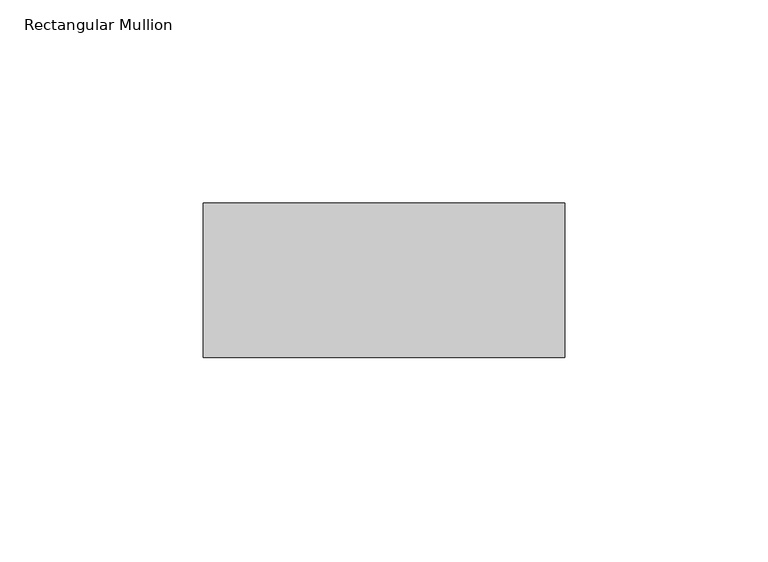
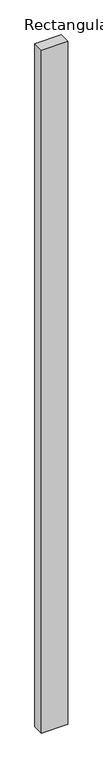
"""IFC4 building model written with IfcOpenShell, lengths in millimetres: member geometry, Rectangular Mullion."""

from ifc_helpers import new_model, si_unit, frame, origin, place, context, project, spatial, polyline, outline, extrude, source, transform, mapped, element, save


def rectangular_mullion_205d9e54(model_context):
    return source(origin(), model_context, "Body", "SweptSolid", [
        extrude(outline(polyline([(44.5, -80.0), (44.5, -118.0), (-44.5, -118.0), (-44.5, -80.0), (44.5, -80.0)])), frame((0.0, 0.0, -2450.0), z_axis=(0.0, 0.0, 1.0), x_axis=(1.0, 0.0, 0.0)), (0.0, 0.0, 1.0), 2450.0),
    ])


if __name__ == "__main__":
    model = new_model("IFC4")
    model_context = context("Model", 3, world=origin())
    ifc_project = project(units=[si_unit("LENGTHUNIT", "METRE", prefix="MILLI")], contexts=[model_context])
    site = spatial("IfcSite", under=ifc_project)
    building = spatial("IfcBuilding", under=site)
    placement = place(None, origin())
    rectangular_mullion_shape = rectangular_mullion_205d9e54(model_context)
    element("IfcMember", 1, ObjectType="Rectangular Mullion", at=placement, inside=building, context=model_context, shape_type="MappedRepresentation", body=[
        mapped(rectangular_mullion_shape, transform((0.0, 0.0, 0.0), x_axis=(1.0, 0.0, 0.0), y_axis=(0.0, 1.0, 0.0), z_axis=(0.0, 0.0, 1.0))),
    ])
    save(model, "model.ifc")
